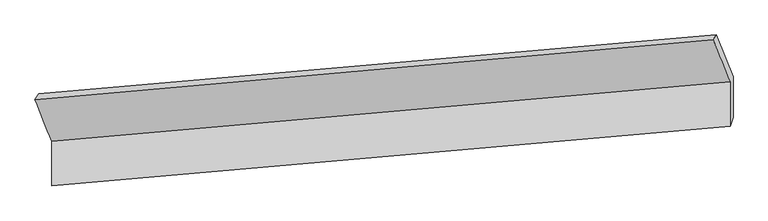
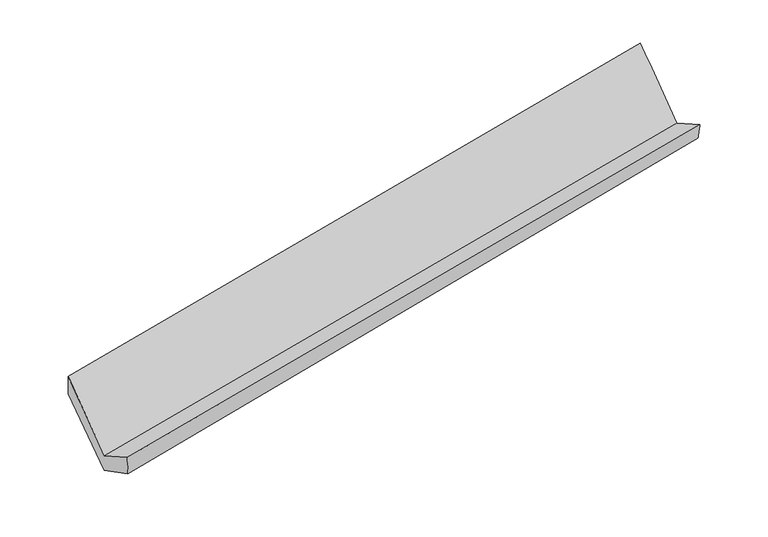
"""IFC4 building model written with IfcOpenShell, lengths in millimetres: proxy geometry."""

import ifcopenshell
import ifcopenshell.guid

model = None  # the IFC model being written
_history = None  # IfcOwnerHistory: only IFC2X3 demands one
_inside = {}  # id of a spatial element -> (the spatial element, [elements in it])
_under = {}  # id of a project, library or spatial element -> (it, [spatial elements below it])
_declared = {}  # id of a project -> (the project, [libraries it declares])
_typed = {}  # id of a type object -> (the type object, [elements of that type])
_made_of = {}  # id of a material, layer set ... -> (it, [elements and type objects made of it])


def new_model(schema):
    """Start an empty IFC model of exactly this schema.

    Asked for "IFC4X3", IfcOpenShell would pick the latest addendum, in which some entities
    have other attributes; the version numbers below select the first issue.
    IFC2X3 requires an IfcOwnerHistory on every rooted entity: one is made here for all.
    """
    global model, _history
    if schema == "IFC4X3":
        model = ifcopenshell.file(schema_version=(4, 3, 0, 0))
    else:
        model = ifcopenshell.file(schema=schema)
    _inside.clear()
    _under.clear()
    _declared.clear()
    _typed.clear()
    _made_of.clear()
    _history = None
    if model.schema == "IFC2X3":
        org = make("IfcOrganization", Name="unknown")
        user = make(
            "IfcPersonAndOrganization",
            ThePerson=make("IfcPerson", FamilyName="unknown"),
            TheOrganization=org,
        )
        app = make(
            "IfcApplication",
            ApplicationDeveloper=org,
            Version="unknown",
            ApplicationFullName="unknown",
            ApplicationIdentifier="unknown",
        )
        _history = make(
            "IfcOwnerHistory",
            OwningUser=user,
            OwningApplication=app,
            ChangeAction="ADDED",
            CreationDate=0,
        )
    return model


def make(cls, **values):
    """One entity of the class cls with the attributes given. An attribute that is None is left unset."""
    return model.create_entity(
        cls, **{name: value for name, value in values.items() if value is not None}
    )


def rooted(cls, **values):
    """An entity with a GlobalId (a new one), such as an element, a storey or a relation."""
    return make(cls, GlobalId=ifcopenshell.guid.new(), OwnerHistory=_history, **values)


def si_unit(unit_type, name, prefix=None):
    """IfcSIUnit, for example si_unit("LENGTHUNIT", "METRE", prefix="MILLI")."""
    return make("IfcSIUnit", UnitType=unit_type, Prefix=prefix, Name=name)


def assignment(units):
    """IfcUnitAssignment: the units of a project."""
    return None if units is None else make("IfcUnitAssignment", Units=units)


def point(xyz):
    """IfcCartesianPoint."""
    return None if xyz is None else make("IfcCartesianPoint", Coordinates=xyz)


def direction(xyz):
    """IfcDirection."""
    return None if xyz is None else make("IfcDirection", DirectionRatios=xyz)


def frame(location, z_axis=None, x_axis=None):
    """IfcAxis2Placement3D, a coordinate frame: its origin and axes. An axis left out is left unset."""
    return make(
        "IfcAxis2Placement3D",
        Location=point(location),
        Axis=direction(z_axis),
        RefDirection=direction(x_axis),
    )


def origin():
    """The frame at (0, 0, 0) with its axes left unset."""
    return frame((0.0, 0.0, 0.0))


def place(relative_to, where):
    """IfcLocalPlacement: puts the frame where relative to a parent placement (None: the world)."""
    return make(
        "IfcLocalPlacement", PlacementRelTo=relative_to, RelativePlacement=where
    )


def context(
    kind, dimensions, precision=None, world=None, true_north=None, identifier=None
):
    """IfcGeometricRepresentationContext, for example the 3D "Model" context."""
    return make(
        "IfcGeometricRepresentationContext",
        ContextIdentifier=identifier,
        ContextType=kind,
        CoordinateSpaceDimension=dimensions,
        Precision=precision,
        WorldCoordinateSystem=world,
        TrueNorth=true_north,
    )


def project(units=None, contexts=None):
    """IfcProject with its units and contexts."""
    return rooted(
        "IfcProject",
        Name="project",
        RepresentationContexts=contexts,
        UnitsInContext=assignment(units),
    )


def spatial(cls, under=None, at=None, **own):
    """A site, building, storey or space (cls), placed at a placement, below another one or the project."""
    s = rooted(cls, ObjectPlacement=at, **own)
    if under is not None:
        _under.setdefault(under.id(), (under, []))[1].append(s)
    return s


def shape(context_of_items, identifier, shape_type, items):
    """IfcShapeRepresentation: the items that make up one representation, for example the "Body"."""
    return make(
        "IfcShapeRepresentation",
        ContextOfItems=context_of_items,
        RepresentationIdentifier=identifier,
        RepresentationType=shape_type,
        Items=items,
    )


def source(mapping_origin, context_of_items, identifier, shape_type, items):
    """IfcRepresentationMap: a shape defined once, which mapped items show again and again."""
    return make(
        "IfcRepresentationMap",
        MappingOrigin=mapping_origin,
        MappedRepresentation=shape(context_of_items, identifier, shape_type, items),
    )


def transform(
    local_origin,
    x_axis=None,
    y_axis=None,
    z_axis=None,
    scale=None,
    scale2=None,
    scale3=None,
    uniform=True,
):
    """IfcCartesianTransformationOperator3D, or its non-uniform kind. x_axis, y_axis, z_axis: its Axis1, 2, 3."""
    if uniform:
        return make(
            "IfcCartesianTransformationOperator3D",
            Axis1=direction(x_axis),
            Axis2=direction(y_axis),
            LocalOrigin=point(local_origin),
            Scale=scale,
            Axis3=direction(z_axis),
        )
    return make(
        "IfcCartesianTransformationOperator3DnonUniform",
        Axis1=direction(x_axis),
        Axis2=direction(y_axis),
        LocalOrigin=point(local_origin),
        Scale=scale,
        Axis3=direction(z_axis),
        Scale2=scale2,
        Scale3=scale3,
    )


def mapped(mapping_source, mapping_target):
    """IfcMappedItem: shows the shape of a source again, moved by a transform."""
    return make(
        "IfcMappedItem", MappingSource=mapping_source, MappingTarget=mapping_target
    )


def made_of(thing, what):
    """Note that an element or type object is made of a material, layer set ...; save() writes the relation."""
    if what is not None:
        _made_of.setdefault(what.id(), (what, []))[1].append(thing)
    return thing


def element(
    cls,
    number,
    at=None,
    inside=None,
    cuts=None,
    type_object=None,
    material=None,
    context=None,
    identifier="Body",
    shape_type=None,
    held_by="IfcProductDefinitionShape",
    body=None,
    shapes=None,
    **own,
):
    """One element of the class cls, such as IfcWall. Its Tag is "e" and its number.

    at: its placement. inside: the storey or other place that contains it. cuts: it is an
    opening in that element (IfcRelVoidsElement). A single representation is given by context,
    identifier, shape_type and body (its items); several are given by shapes. held_by: the class
    of the entity that holds the representations. save() writes the other relations.
    """
    e = rooted(cls, Tag="e%d" % number, ObjectPlacement=at, **own)
    if body is not None:
        shapes = [shape(context, identifier, shape_type, body)]
    if shapes is not None:
        e.Representation = make(held_by, Representations=shapes)
    if inside is not None:
        _inside.setdefault(inside.id(), (inside, []))[1].append(e)
    if cuts is not None:
        rooted(
            "IfcRelVoidsElement", RelatingBuildingElement=cuts, RelatedOpeningElement=e
        )
    if type_object is not None:
        _typed.setdefault(type_object.id(), (type_object, []))[1].append(e)
    return made_of(e, material)


def aggregate(whole, parts):
    """IfcRelAggregates: a whole, such as a stair, and the parts it consists of."""
    return rooted("IfcRelAggregates", RelatingObject=whole, RelatedObjects=parts)


def save(model, path):
    """Write the relations noted so far, then the file.

    IfcRelAggregates (storeys below a building ...), IfcRelContainedInSpatialStructure (elements
    in a storey), IfcRelDefinesByType, IfcRelAssociatesMaterial and IfcRelDeclares: one each for
    every whole, place, type object, material and project.
    """
    for whole, parts in _under.values():
        aggregate(whole, parts)
    for where, things in _inside.values():
        rooted(
            "IfcRelContainedInSpatialStructure",
            RelatedElements=things,
            RelatingStructure=where,
        )
    for kind, things in _typed.values():
        rooted("IfcRelDefinesByType", RelatedObjects=things, RelatingType=kind)
    for what, things in _made_of.values():
        rooted("IfcRelAssociatesMaterial", RelatedObjects=things, RelatingMaterial=what)
    for by, libraries in _declared.values():
        rooted("IfcRelDeclares", RelatingContext=by, RelatedDefinitions=libraries)
    model.write(path)


def plane_surface(at):
    """IfcPlane: the flat surface through the origin of the frame at, square to its z axis."""
    return make("IfcPlane", Position=at)


def spline_surface(u_degree, v_degree, points, u_multiplicities, v_multiplicities, u_knots, v_knots, weights=None):
    """IfcBSplineSurfaceWithKnots; with weights, IfcRationalBSplineSurfaceWithKnots. points: one row for each step in u."""
    own = dict(
        UDegree=u_degree,
        VDegree=v_degree,
        ControlPointsList=[[point(p) for p in row] for row in points],
        SurfaceForm="UNSPECIFIED",
        UClosed=False,
        VClosed=False,
        SelfIntersect=False,
        UMultiplicities=u_multiplicities,
        VMultiplicities=v_multiplicities,
        UKnots=u_knots,
        VKnots=v_knots,
        KnotSpec="UNSPECIFIED",
    )
    if weights is None:
        return make("IfcBSplineSurfaceWithKnots", **own)
    return make("IfcRationalBSplineSurfaceWithKnots", WeightsData=weights, **own)


def advanced_brep(points, edges, surfaces, faces):
    """IfcAdvancedBrep: a solid bounded by faces that lie on surfaces and meet in shared edges.

    An edge is (start, end): straight between two places in points (the first is 0);
    or (start, end, curve); or (start, end, curve, False) where it runs against its curve.
    A face is (place in surfaces, loops), or (place, loops, False) where it looks against
    its surface's normal. A loop lists edges by number (the first is 1), with a minus sign
    where the edge is run from its end to its start. The first loop is the outer one.
    """
    corners = [point(p) for p in points]
    vertices = [make("IfcVertexPoint", VertexGeometry=c) for c in corners]
    made = []
    for start, end, *more in edges:
        made.append(
            make(
                "IfcEdgeCurve",
                EdgeStart=vertices[start],
                EdgeEnd=vertices[end],
                EdgeGeometry=more[0] if more else make("IfcPolyline", Points=[corners[start], corners[end]]),
                SameSense=more[1] if len(more) > 1 else True,
            )
        )
    hull = []
    for where, loops, *sense in faces:
        bounds = []
        for j, loop in enumerate(loops):
            ring = [make("IfcOrientedEdge", EdgeElement=made[abs(k) - 1], Orientation=k > 0) for k in loop]
            bounds.append(
                make(
                    "IfcFaceOuterBound" if j == 0 else "IfcFaceBound",
                    Bound=make("IfcEdgeLoop", EdgeList=ring),
                    Orientation=True,
                )
            )
        hull.append(make("IfcAdvancedFace", Bounds=bounds, FaceSurface=surfaces[where], SameSense=sense[0] if sense else True))
    return make("IfcAdvancedBrep", Outer=make("IfcClosedShell", CfsFaces=hull))


def generic_models_8226c4b5(model_context):
    return source(origin(), model_context, "Body", "AdvancedBrep", [
        advanced_brep(
        [(-5550.2220452, -1430.4979302, 1863.5677819), (-5421.9734718, -1749.4117547, 1291.2971804), (-239.4746043, -1294.523797, 2226.0179832), (-368.8258217, -973.8426153, 2801.4613256), (-5421.3299666, -2089.2589248, 1480.8307492), (-238.8297473, -1635.0848872, 2415.9497069), (-5394.0594886, -2049.2411726, 1297.8070449), (-216.0208565, -1563.4798922, 2241.5878689), (-5397.6465845, -1705.2566524, 1123.218626), (-216.6014461, -1256.8595952, 2070.5850057), (-5521.294466, -1385.0075752, 1667.6928109), (-345.9526635, -936.1784135, 2646.0283481)],
        [
            (0, 1),
            (1, 2),
            (2, 3),
            (3, 0),
            (1, 4),
            (4, 5),
            (5, 2),
            (4, 6),
            (6, 7),
            (7, 5),
            (6, 8),
            (8, 9),
            (9, 7),
            (8, 10),
            (10, 11),
            (11, 9),
            (10, 0),
            (3, 11),
        ],
        [
            spline_surface(1, 1, [[(-5550.2220452, -1430.4979302, 1863.5677819), (-368.8258217, -973.8426153, 2801.4613256)], [(-5421.9734718, -1749.4117547, 1291.2971804), (-239.4746043, -1294.523797, 2226.0179832)]], [2, 2], [2, 2], [0.0, 1.0], [0.0, 1.0]),
            plane_surface(frame((-5421.6517192, -1919.3353397, 1386.0639648), z_axis=(-0.1963766104421482, 0.47730730010726086, 0.8565126783273966), x_axis=(0.0016537167579257221, -0.8733589455840596, 0.4870743448275473))),
            spline_surface(1, 1, [[(-5421.3299666, -2089.2589248, 1480.8307492), (-238.8297473, -1635.0848872, 2415.9497069)], [(-5394.0594886, -2049.2411726, 1297.8070449), (-216.0208565, -1563.4798922, 2241.5878689)]], [2, 2], [2, 2], [0.0, 1.0], [0.0, 1.0]),
            spline_surface(1, 1, [[(-5394.0594886, -2049.2411726, 1297.8070449), (-216.0208565, -1563.4798922, 2241.5878689)], [(-5397.6465845, -1705.2566524, 1123.218626), (-216.6014461, -1256.8595952, 2070.5850057)]], [2, 2], [2, 2], [0.0, 1.0], [0.0, 1.0]),
            spline_surface(1, 1, [[(-5397.6465845, -1705.2566524, 1123.218626), (-216.6014461, -1256.8595952, 2070.5850057)], [(-5521.294466, -1385.0075752, 1667.6928109), (-345.9526635, -936.1784135, 2646.0283481)]], [2, 2], [2, 2], [0.0, 1.0], [0.0, 1.0]),
            spline_surface(1, 1, [[(-5521.294466, -1385.0075752, 1667.6928109), (-345.9526635, -936.1784135, 2646.0283481)], [(-5550.2220452, -1430.4979302, 1863.5677819), (-368.8258217, -973.8426153, 2801.4613256)]], [2, 2], [2, 2], [0.0, 1.0], [0.0, 1.0]),
            plane_surface(frame((-270.9508566, -1276.6615334, 2400.2717064), z_axis=(0.9812612486713219, 0.09526449799696801, 0.16748443891115336), x_axis=(-0.19267492591638102, 0.47767020797788295, 0.8571508299788801))),
            plane_surface(frame((-5451.0876705, -1734.7790016, 1454.0690322), z_axis=(-0.981371408030437, -0.09499098194624361, -0.16699363116372465), x_axis=(0.14238955021268876, 0.22391611624631136, -0.9641508123086329))),
        ],
        [
            (0, [[1, 2, 3, 4]]),
            (1, [[5, 6, 7, -2]]),
            (2, [[8, 9, 10, -6]]),
            (3, [[11, 12, 13, -9]]),
            (4, [[14, 15, 16, -12]]),
            (5, [[17, -4, 18, -15]]),
            (6, [[-16, -18, -3, -7, -10, -13]]),
            (7, [[-17, -14, -11, -8, -5, -1]]),
        ],
    ),
    ])


if __name__ == "__main__":
    model = new_model("IFC4")
    model_context = context("Model", 3, world=origin())
    ifc_project = project(units=[si_unit("LENGTHUNIT", "METRE", prefix="MILLI")], contexts=[model_context])
    site = spatial("IfcSite", under=ifc_project)
    building = spatial("IfcBuilding", under=site)
    placement = place(None, origin())
    generic_models_shape = generic_models_8226c4b5(model_context)
    element("IfcBuildingElementProxy", 1, Name="Generic Models", at=placement, inside=building, context=model_context, shape_type="MappedRepresentation", body=[
        mapped(generic_models_shape, transform((0.0, 0.0, 0.0), x_axis=(1.0, 0.0, 0.0), y_axis=(0.0, 1.0, 0.0), z_axis=(0.0, 0.0, 1.0))),
    ])
    save(model, "model.ifc")
